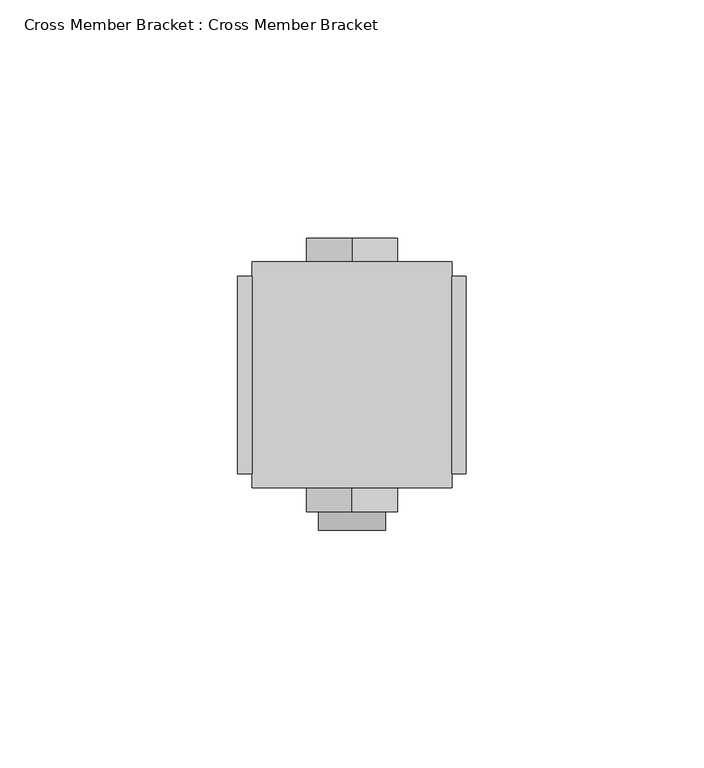
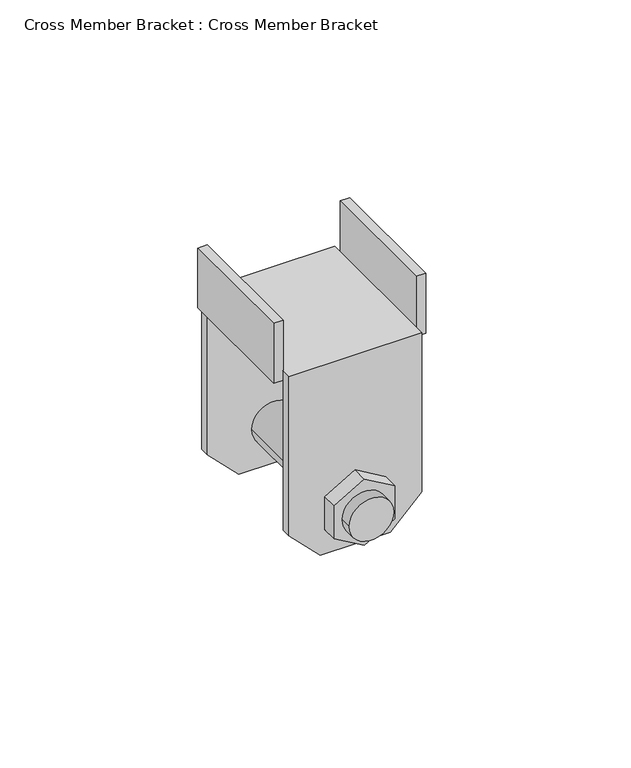
"""IFC4 building model written with IfcOpenShell, lengths in millimetres: proxy geometry, Cross Member Bracket : Cross Member Bracket."""

from ifc_helpers import new_model, si_unit, frame, origin, place, context, project, spatial, circle_curve, source, transform, mapped, element, save
from ifc_brep_helpers import plane_surface, cylinder_surface, advanced_brep


def cross_member_bracket_cross_member_bracket_dd75398a(model_context):
    return source(origin(), model_context, "Body", "AdvancedBrep", [
        advanced_brep(
        [(-11.0, -20.75, -63.0), (-21.0, -20.75, -53.0), (-21.0, -20.75, -3.0), (21.0, -20.75, -3.0), (21.0, -20.75, -53.0), (11.0, -20.75, -63.0), (-7.0, -20.75, -49.5), (7.0, -20.75, -49.5), (-11.0, -23.75, -63.0), (11.0, -23.75, -63.0), (21.0, -23.75, -53.0), (21.0, -23.75, 0.0), (-21.0, -23.75, 0.0), (-21.0, -23.75, -53.0), (9.5805489, -23.75, -43.9686675), (9.5805489, -23.75, -55.0313325), (0.0, -23.75, -60.562665), (-9.5805489, -23.75, -55.0313325), (-9.5805489, -23.75, -43.9686675), (0.0, -23.75, -38.437335), (-11.0, 23.75, -63.0), (-21.0, 23.75, -53.0), (-21.0, 23.75, 0.0), (21.0, 23.75, 0.0), (21.0, 23.75, -53.0), (11.0, 23.75, -63.0), (-9.5805489, 23.75, -55.0313325), (0.0, 23.75, -60.562665), (9.5805489, 23.75, -55.0313325), (9.5805489, 23.75, -43.9686675), (0.0, 23.75, -38.437335), (-9.5805489, 23.75, -43.9686675), (21.0, -20.75, 0.0), (21.0, 20.75, -3.0), (21.0, 20.75, -53.0), (21.0, 20.75, 0.0), (-21.0, 20.75, -3.0), (-21.0, 20.75, -53.0), (-11.0, 20.75, -63.0), (11.0, 20.75, -63.0), (7.0, 20.75, -49.5), (-7.0, 20.75, -49.5), (-21.0, -20.75, 0.0), (-21.0, 20.75, 0.0), (-24.0, -20.75, -3.0), (-24.0, 20.75, -3.0), (24.0, 20.75, -3.0), (24.0, -20.75, -3.0), (7.0, -32.5981376, -49.5), (-7.0, -32.5981376, -49.5), (-7.0, -28.75, -49.5), (7.0, -28.75, -49.5), (9.5805489, -28.75, -55.0313325), (9.5805489, -28.75, -43.9686675), (0.0, -28.75, -38.437335), (-9.5805489, -28.75, -43.9686675), (-9.5805489, -28.75, -55.0313325), (0.0, -28.75, -60.562665), (0.0, 28.75, -60.562665), (-9.5805489, 28.75, -55.0313325), (-9.5805489, 28.75, -43.9686675), (0.0, 28.75, -38.437335), (9.5805489, 28.75, -43.9686675), (9.5805489, 28.75, -55.0313325), (-24.0, -20.75, 17.0), (-24.0, 20.75, 17.0), (-21.0, 20.75, 17.0), (-21.0, -20.75, 17.0), (24.0, 20.75, 17.0), (24.0, -20.75, 17.0), (21.0, -20.75, 17.0), (21.0, 20.75, 17.0)],
        [
            (0, 1),
            (1, 2),
            (2, 3),
            (3, 4),
            (4, 5),
            (5, 0),
            (6, 7, circle_curve(frame((0.0, -20.75, -49.5), z_axis=(0.0, -1.0, 0.0), x_axis=(1.0, 0.0, 0.0)), 7.0)),
            (7, 6, circle_curve(frame((0.0, -20.75, -49.5), z_axis=(0.0, -1.0, 0.0), x_axis=(1.0, 0.0, 0.0)), 7.0)),
            (8, 9),
            (9, 10),
            (10, 11),
            (11, 12),
            (12, 13),
            (13, 8),
            (14, 15),
            (15, 16),
            (16, 17),
            (17, 18),
            (18, 19),
            (19, 14),
            (5, 9),
            (8, 0),
            (4, 10),
            (13, 1),
            (20, 21),
            (21, 22),
            (22, 23),
            (23, 24),
            (24, 25),
            (25, 20),
            (26, 27),
            (27, 28),
            (28, 29),
            (29, 30),
            (30, 31),
            (31, 26),
            (3, 32),
            (32, 11),
            (33, 34),
            (34, 24),
            (23, 35),
            (35, 33),
            (33, 36),
            (36, 37),
            (37, 38),
            (38, 39),
            (39, 34),
            (40, 41, circle_curve(frame((0.0, 20.75, -49.5), z_axis=(0.0, 1.0, 0.0), x_axis=(1.0, 0.0, 0.0)), 7.0)),
            (41, 40, circle_curve(frame((0.0, 20.75, -49.5), z_axis=(0.0, 1.0, 0.0), x_axis=(1.0, 0.0, 0.0)), 7.0)),
            (12, 42),
            (42, 2),
            (36, 43),
            (43, 22),
            (21, 37),
            (38, 20),
            (25, 39),
            (2, 44),
            (44, 45),
            (45, 36),
            (33, 46),
            (46, 47),
            (47, 3),
            (32, 35),
            (43, 42),
            (48, 49, circle_curve(frame((0.0, -32.5981376, -49.5), z_axis=(0.0, -1.0, 0.0), x_axis=(1.0, 0.0, 0.0)), 7.0)),
            (49, 48, circle_curve(frame((0.0, -32.5981376, -49.5), z_axis=(0.0, -1.0, 0.0), x_axis=(1.0, 0.0, 0.0)), 7.0)),
            (49, 50),
            (50, 51, circle_curve(frame((0.0, -28.75, -49.5), z_axis=(0.0, -1.0, 0.0), x_axis=(1.0, 0.0, 0.0)), 7.0)),
            (51, 48),
            (6, 41),
            (40, 7),
            (51, 50, circle_curve(frame((0.0, -28.75, -49.5), z_axis=(0.0, -1.0, 0.0), x_axis=(1.0, 0.0, 0.0)), 7.0)),
            (52, 53),
            (53, 54),
            (54, 55),
            (55, 56),
            (56, 57),
            (57, 52),
            (52, 15),
            (14, 53),
            (19, 54),
            (18, 55),
            (17, 56),
            (16, 57),
            (58, 59),
            (59, 60),
            (60, 61),
            (61, 62),
            (62, 63),
            (63, 58),
            (58, 27),
            (26, 59),
            (31, 60),
            (30, 61),
            (29, 62),
            (28, 63),
            (44, 64),
            (64, 65),
            (65, 45),
            (66, 67),
            (67, 42),
            (43, 66),
            (67, 64),
            (66, 65),
            (46, 68),
            (68, 69),
            (69, 47),
            (70, 71),
            (71, 35),
            (32, 70),
            (69, 70),
            (68, 71),
        ],
        [
            plane_surface(frame((19.9849059, -20.75, -63.0), z_axis=(0.0, 1.0, 0.0), x_axis=(-1.0, 0.0, 0.0))),
            plane_surface(frame((19.9849059, -23.75, -63.0), z_axis=(0.0, -1.0, 0.0), x_axis=(1.0, 0.0, 0.0))),
            plane_surface(frame((-11.0, -23.75, -63.0), z_axis=(0.0, 0.0, -1.0), x_axis=(0.0, 1.0, 0.0))),
            plane_surface(frame((11.0, -23.75, -63.0), z_axis=(0.7071067811865469, 0.0, -0.7071067811865481), x_axis=(0.0, 1.0, 0.0))),
            plane_surface(frame((-21.0, -23.75, -53.0), z_axis=(-0.707106781186549, 0.0, -0.707106781186546), x_axis=(0.0, 1.0, 0.0))),
            plane_surface(frame((21.0, 23.75, -3.0), z_axis=(0.0, 1.0, 0.0), x_axis=(0.0, 0.0, -1.0))),
            plane_surface(frame((21.0, 20.75, -3.0), z_axis=(1.0, 0.0, 0.0), x_axis=(0.0, 0.0, -1.0))),
            plane_surface(frame((-21.0, 20.75, -3.0), z_axis=(0.0, -1.0, 0.0), x_axis=(0.0, 0.0, -1.0))),
            plane_surface(frame((-21.0, 23.75, -3.0), z_axis=(-1.0, 0.0, 0.0), x_axis=(0.0, 0.0, -1.0))),
            plane_surface(frame((11.0, 23.75, -63.0), z_axis=(0.0, 0.0, -1.0), x_axis=(0.0, -1.0, 0.0))),
            plane_surface(frame((21.0, 23.75, -53.0), z_axis=(0.7071067811865468, 0.0, -0.7071067811865483), x_axis=(0.0, -1.0, 0.0))),
            plane_surface(frame((-11.0, 23.75, -63.0), z_axis=(-0.7071067811865491, 0.0, -0.7071067811865459), x_axis=(0.0, -1.0, 0.0))),
            plane_surface(frame((21.0, 23.75, -3.0), z_axis=(0.0, 0.0, -1.0), x_axis=(1.0, 0.0, 0.0))),
            plane_surface(frame((21.0, 23.75, 0.0), z_axis=(0.0, 0.0, 1.0), x_axis=(-1.0, 0.0, 0.0))),
            plane_surface(frame((7.0, -32.5981376, -49.5), z_axis=(0.0, -1.0, 0.0), x_axis=(0.0, 0.0, 1.0))),
            cylinder_surface(frame((0.0, -32.5981376, -49.5), z_axis=(0.0, 1.0, 0.0), x_axis=(1.0, 0.0, 0.0)), 7.0),
            plane_surface(frame((9.5805489, -28.75, -55.0313325), z_axis=(0.0, -1.0, 0.0), x_axis=(0.0, 0.0, 1.0))),
            plane_surface(frame((9.5805489, -28.75, -55.0313325), z_axis=(1.0, 0.0, 0.0), x_axis=(0.0, 1.0, 0.0))),
            plane_surface(frame((9.5805489, -28.75, -43.9686675), z_axis=(0.5000000000000031, 0.0, 0.8660254037844368), x_axis=(0.0, 1.0, 0.0))),
            plane_surface(frame((0.0, -28.75, -38.437335), z_axis=(-0.4999999999999971, 0.0, 0.8660254037844404), x_axis=(0.0, 1.0, 0.0))),
            plane_surface(frame((-9.5805489, -28.75, -43.9686675), z_axis=(-1.0, 0.0, 0.0), x_axis=(0.0, 1.0, 0.0))),
            plane_surface(frame((-9.5805489, -28.75, -55.0313325), z_axis=(-0.5000000000000037, 0.0, -0.8660254037844366), x_axis=(0.0, 1.0, 0.0))),
            plane_surface(frame((0.0, -28.75, -60.562665), z_axis=(0.49999999999999767, 0.0, -0.86602540378444), x_axis=(0.0, 1.0, 0.0))),
            plane_surface(frame((0.0, 28.75, -60.562665), z_axis=(0.0, 1.0, 0.0), x_axis=(-0.866025403784437, 0.0, 0.5000000000000029))),
            plane_surface(frame((0.0, 28.75, -60.562665), z_axis=(-0.5000000000000029, 0.0, -0.866025403784437), x_axis=(0.0, -1.0, 0.0))),
            plane_surface(frame((-9.5805489, 28.75, -55.0313325), z_axis=(-1.0, 0.0, 0.0), x_axis=(0.0, -1.0, 0.0))),
            plane_surface(frame((-9.5805489, 28.75, -43.9686675), z_axis=(-0.4999999999999967, 0.0, 0.8660254037844405), x_axis=(0.0, -1.0, 0.0))),
            plane_surface(frame((0.0, 28.75, -38.437335), z_axis=(0.5000000000000027, 0.0, 0.8660254037844372), x_axis=(0.0, -1.0, 0.0))),
            plane_surface(frame((9.5805489, 28.75, -43.9686675), z_axis=(1.0, 0.0, 0.0), x_axis=(0.0, -1.0, 0.0))),
            plane_surface(frame((9.5805489, 28.75, -55.0313325), z_axis=(0.49999999999999606, 0.0, -0.8660254037844409), x_axis=(0.0, -1.0, 0.0))),
            plane_surface(frame((-24.0, -20.75, -3.0), z_axis=(-1.0, 0.0, 0.0), x_axis=(0.0, -1.0, 0.0))),
            plane_surface(frame((-21.0, -20.75, -3.0), z_axis=(1.0, 0.0, 0.0), x_axis=(0.0, 1.0, 0.0))),
            plane_surface(frame((-24.0, -20.75, -3.0), z_axis=(0.0, -1.0, 0.0), x_axis=(1.0, 0.0, 0.0))),
            plane_surface(frame((-24.0, -20.75, 17.0), z_axis=(0.0, 0.0, 1.0), x_axis=(1.0, 0.0, 0.0))),
            plane_surface(frame((-24.0, 20.75, 17.0), z_axis=(0.0, 1.0, 0.0), x_axis=(1.0, 0.0, 0.0))),
            plane_surface(frame((24.0, 20.75, -2.8801818), z_axis=(1.0, 0.0, 0.0), x_axis=(0.0, 0.0, 1.0))),
            plane_surface(frame((21.0, 20.75, -2.8801818), z_axis=(-1.0, 0.0, 0.0), x_axis=(0.0, 0.0, -1.0))),
            plane_surface(frame((24.0, -20.75, 17.0), z_axis=(0.0, -1.0, 0.0), x_axis=(-1.0, 0.0, 0.0))),
            plane_surface(frame((24.0, 20.75, 17.0), z_axis=(0.0, 0.0, 1.0), x_axis=(-1.0, 0.0, 0.0))),
            plane_surface(frame((24.0, 20.75, -3.0), z_axis=(0.0, 1.0, 0.0), x_axis=(-1.0, 0.0, 0.0))),
        ],
        [
            (0, [[1, 2, 3, 4, 5, 6], [7, 8]]),
            (1, [[9, 10, 11, 12, 13, 14], [15, 16, 17, 18, 19, 20]]),
            (2, [[-6, 21, -9, 22]]),
            (3, [[-5, 23, -10, -21]]),
            (4, [[-1, -22, -14, 24]]),
            (5, [[25, 26, 27, 28, 29, 30], [31, 32, 33, 34, 35, 36]]),
            (6, [[-4, 37, 38, -11, -23]]),
            (6, [[39, 40, -28, 41, 42]]),
            (7, [[-39, 43, 44, 45, 46, 47], [48, 49]]),
            (8, [[-2, -24, -13, 50, 51]]),
            (8, [[-44, 52, 53, -26, 54]]),
            (9, [[-46, 55, -30, 56]]),
            (10, [[-47, -56, -29, -40]]),
            (11, [[-45, -54, -25, -55]]),
            (12, [[-3, 57, 58, 59, -43, 60, 61, 62]]),
            (13, [[-12, -38, 63, -41, -27, -53, 64, -50]]),
            (14, [[65, 66]]),
            (15, [[-66, 67, 68, 69]]),
            (15, [[70, -48, 71, -7]]),
            (15, [[-65, -69, 72, -67]]),
            (15, [[-70, -8, -71, -49]]),
            (16, [[73, 74, 75, 76, 77, 78], [-68, -72]]),
            (17, [[-73, 79, -15, 80]]),
            (18, [[-74, -80, -20, 81]]),
            (19, [[-75, -81, -19, 82]]),
            (20, [[-76, -82, -18, 83]]),
            (21, [[-77, -83, -17, 84]]),
            (22, [[-78, -84, -16, -79]]),
            (23, [[85, 86, 87, 88, 89, 90]]),
            (24, [[-85, 91, -31, 92]]),
            (25, [[-86, -92, -36, 93]]),
            (26, [[-87, -93, -35, 94]]),
            (27, [[-88, -94, -34, 95]]),
            (28, [[-89, -95, -33, 96]]),
            (29, [[-90, -96, -32, -91]]),
            (30, [[-58, 97, 98, 99]]),
            (31, [[100, 101, -64, 102]]),
            (32, [[-97, -57, -51, -101, 103]]),
            (33, [[-98, -103, -100, 104]]),
            (34, [[-99, -104, -102, -52, -59]]),
            (35, [[105, 106, 107, -61]]),
            (36, [[108, 109, -63, 110]]),
            (37, [[-107, 111, -110, -37, -62]]),
            (38, [[-106, 112, -108, -111]]),
            (39, [[-105, -60, -42, -109, -112]]),
        ],
    ),
    ])


if __name__ == "__main__":
    model = new_model("IFC4")
    model_context = context("Model", 3, world=origin())
    ifc_project = project(units=[si_unit("LENGTHUNIT", "METRE", prefix="MILLI")], contexts=[model_context])
    site = spatial("IfcSite", under=ifc_project)
    building = spatial("IfcBuilding", under=site)
    placement = place(None, origin())
    cross_member_bracket_cross_member_bracket_shape = cross_member_bracket_cross_member_bracket_dd75398a(model_context)
    element("IfcBuildingElementProxy", 1, Name="Cross Member Bracket : Cross Member Bracket", ObjectType="Cross Member Bracket : Cross Member Bracket", at=placement, inside=building, context=model_context, shape_type="MappedRepresentation", body=[
        mapped(cross_member_bracket_cross_member_bracket_shape, transform((0.0, 0.0, 0.0), x_axis=(1.0, 0.0, 0.0), y_axis=(0.0, 1.0, 0.0), z_axis=(0.0, 0.0, 1.0))),
    ])
    save(model, "model.ifc")
